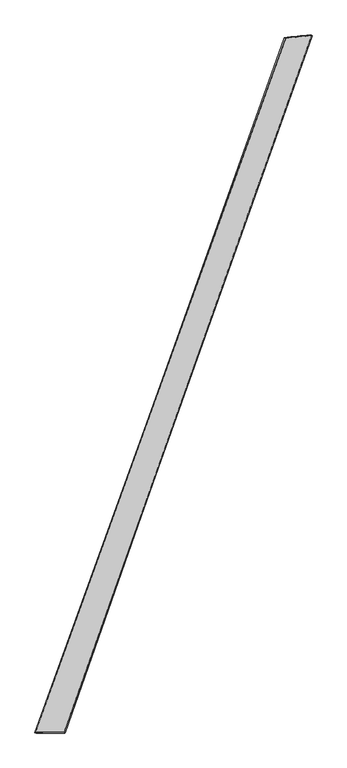
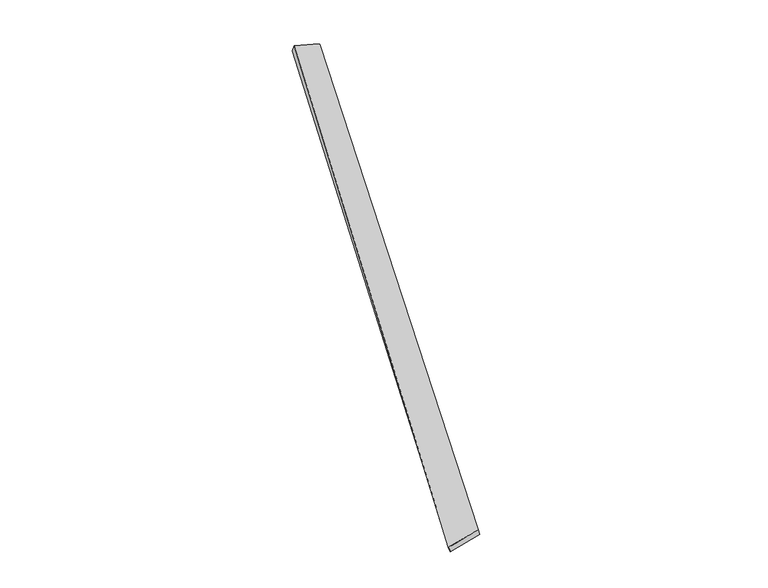
"""IFC4 building model written with IfcOpenShell, lengths in millimetres: proxy geometry."""

from ifc_helpers import new_model, si_unit, origin, place, context, project, spatial, source, transform, mapped, element, save
from ifc_brep_helpers import spline_surface, advanced_brep


def generic_models_36774659(model_context):
    return source(origin(), model_context, "Body", "AdvancedBrep", [
        advanced_brep(
        [(-738.77976, -1871.5753921, -23.1741504), (-748.1545208, -1868.5780259, 5.1653919), (736.2281005, 2239.232625, 54.9290076), (727.1031861, 2242.8264877, 26.5772865), (-574.9638698, -1866.9948362, 52.2941513), (891.394849, 2254.7576831, 1.1548938), (-568.6217553, -1869.5717474, 23.0856403), (880.2983293, 2258.3206518, -26.4887765)],
        [
            (0, 1),
            (1, 2),
            (2, 3),
            (3, 0),
            (1, 4),
            (4, 5),
            (5, 2),
            (4, 6),
            (6, 7),
            (7, 5),
            (6, 0),
            (3, 7),
        ],
        [
            spline_surface(1, 1, [[(-738.77976, -1871.5753921, -23.1741504), (727.1031861, 2242.8264877, 26.5772865)], [(-748.1545208, -1868.5780259, 5.1653919), (736.2281005, 2239.232625, 54.9290076)]], [2, 2], [2, 2], [0.0, 1.0], [0.0, 1.0]),
            spline_surface(1, 1, [[(-748.1545208, -1868.5780259, 5.1653919), (736.2281005, 2239.232625, 54.9290076)], [(-574.9638698, -1866.9948362, 52.2941513), (891.394849, 2254.7576831, 1.1548938)]], [2, 2], [2, 2], [0.0, 1.0], [0.0, 1.0]),
            spline_surface(1, 1, [[(-574.9638698, -1866.9948362, 52.2941513), (891.394849, 2254.7576831, 1.1548938)], [(-568.6217553, -1869.5717474, 23.0856403), (880.2983293, 2258.3206518, -26.4887765)]], [2, 2], [2, 2], [0.0, 1.0], [0.0, 1.0]),
            spline_surface(1, 1, [[(-568.6217553, -1869.5717474, 23.0856403), (880.2983293, 2258.3206518, -26.4887765)], [(-738.77976, -1871.5753921, -23.1741504), (727.1031861, 2242.8264877, 26.5772865)]], [2, 2], [2, 2], [0.0, 1.0], [0.0, 1.0]),
            spline_surface(1, 1, [[(736.2281005, 2239.232625, 54.9290076), (727.1031861, 2242.8264877, 26.5772865)], [(891.394849, 2254.7576831, 1.1548938), (880.2983293, 2258.3206518, -26.4887765)]], [2, 2], [2, 2], [0.0, 1.0], [0.0, 1.0]),
            spline_surface(1, 1, [[(-568.6217553, -1869.5717474, 23.0856403), (-738.77976, -1871.5753921, -23.1741504)], [(-574.9638698, -1866.9948362, 52.2941513), (-748.1545208, -1868.5780259, 5.1653919)]], [2, 2], [2, 2], [0.0, 1.0], [0.0, 1.0]),
        ],
        [
            (0, [[1, 2, 3, 4]]),
            (1, [[5, 6, 7, -2]]),
            (2, [[8, 9, 10, -6]]),
            (3, [[11, -4, 12, -9]]),
            (4, [[-3, -7, -10, -12]]),
            (5, [[-11, -8, -5, -1]]),
        ],
    ),
    ])


if __name__ == "__main__":
    model = new_model("IFC4")
    model_context = context("Model", 3, world=origin())
    ifc_project = project(units=[si_unit("LENGTHUNIT", "METRE", prefix="MILLI")], contexts=[model_context])
    site = spatial("IfcSite", under=ifc_project)
    building = spatial("IfcBuilding", under=site)
    placement = place(None, origin())
    generic_models_shape = generic_models_36774659(model_context)
    element("IfcBuildingElementProxy", 1, Name="Generic Models", at=placement, inside=building, context=model_context, shape_type="MappedRepresentation", body=[
        mapped(generic_models_shape, transform((0.0, 0.0, 0.0), x_axis=(1.0, 0.0, 0.0), y_axis=(0.0, 1.0, 0.0), z_axis=(0.0, 0.0, 1.0))),
    ])
    save(model, "model.ifc")
